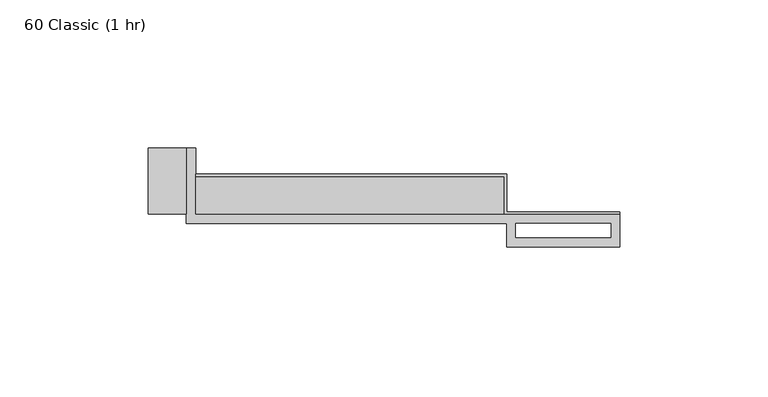
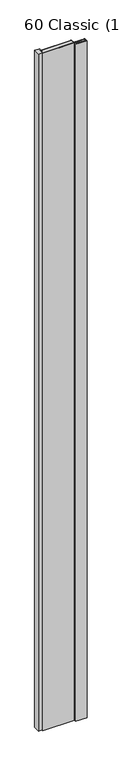
"""IFC4 building model written with IfcOpenShell, lengths in millimetres: proxy geometry, 60 Classic (1 hr)."""

from ifc_helpers import new_model, si_unit, origin, origin_with_axes, place, context, project, spatial, polyline, outline, extrude, source, transform, mapped, element, save


def proxy_60_classic_1_hr_35ced42b(model_context):
    return source(origin(), model_context, "Body", "SweptSolid", [
        extrude(outline(polyline([(-104.775, 12.7), (-104.775, 13.49375), (0.0, 13.49375), (0.0, 0.79375), (38.1, 0.79375), (38.1, 0.0), (-0.79375, 0.0), (-0.79375, 12.7), (-104.775, 12.7)])), origin_with_axes(), (0.0, 0.0, 1.0), 2438.4),
        extrude(outline(polyline([(-107.95, 0.0), (-120.65, 0.0), (-120.65, 22.225), (-107.95, 22.225), (-107.95, 0.0)])), origin_with_axes(), (0.0, 0.0, 1.0), 2438.4),
        extrude(outline(polyline([(0.0, 0.0), (-104.775, 0.0), (-104.775, 12.7), (0.0, 12.7), (0.0, 0.0)])), origin_with_axes(), (0.0, 0.0, 1.0), 2438.4),
        extrude(outline(polyline([(-107.95, 22.225), (-104.775, 22.225), (-104.775, 0.0), (38.1, 0.0), (38.1, -11.1125), (0.0, -11.1125), (0.0, -3.175), (-107.95, -3.175), (-107.95, 22.225)]), holes=[polyline([(3.175, -3.175), (3.175, -7.9375), (35.1499571, -7.9375), (35.1499571, -3.175), (3.175, -3.175)])]), origin_with_axes(), (0.0, 0.0, 1.0), 2438.4),
    ])


if __name__ == "__main__":
    model = new_model("IFC4")
    model_context = context("Model", 3, world=origin())
    ifc_project = project(units=[si_unit("LENGTHUNIT", "METRE", prefix="MILLI")], contexts=[model_context])
    site = spatial("IfcSite", under=ifc_project)
    building = spatial("IfcBuilding", under=site)
    placement = place(None, origin())
    proxy_60_classic_1_hr_shape = proxy_60_classic_1_hr_35ced42b(model_context)
    element("IfcBuildingElementProxy", 1, Name="60 Classic (1 hr)", ObjectType="60 Classic (1 hr)", at=placement, inside=building, context=model_context, shape_type="MappedRepresentation", body=[
        mapped(proxy_60_classic_1_hr_shape, transform((0.0, 0.0, 0.0), x_axis=(1.0, 0.0, 0.0), y_axis=(0.0, 1.0, 0.0), z_axis=(0.0, 0.0, 1.0))),
    ])
    save(model, "model.ifc")
